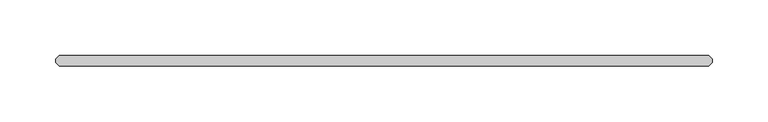
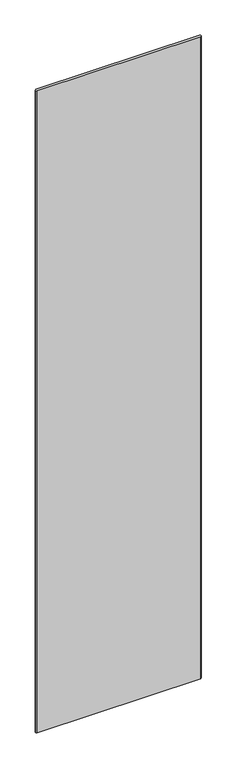
"""IFC4 building model written with IfcOpenShell, lengths in millimetres: plate geometry."""

from ifc_helpers import new_model, si_unit, origin, origin_with_axes, place, context, project, spatial, polyline, outline, extrude, source, transform, mapped, element, save


def plate_cf745dc8(model_context):
    return source(origin(), model_context, "Body", "SweptSolid", [
        extrude(outline(polyline([(292.496875, -34.925), (-292.496875, -34.925), (-295.671875, -31.75), (-295.671875, -28.575), (-292.496875, -25.4), (292.496875, -25.4), (295.671875, -28.575), (295.671875, -31.75), (292.496875, -34.925)])), origin_with_axes(), (0.0, 0.0, 1.0), 2428.7789267),
    ])


if __name__ == "__main__":
    model = new_model("IFC4")
    model_context = context("Model", 3, world=origin())
    ifc_project = project(units=[si_unit("LENGTHUNIT", "METRE", prefix="MILLI")], contexts=[model_context])
    site = spatial("IfcSite", under=ifc_project)
    building = spatial("IfcBuilding", under=site)
    placement = place(None, origin())
    plate_shape = plate_cf745dc8(model_context)
    element("IfcPlate", 1, at=placement, inside=building, context=model_context, shape_type="MappedRepresentation", body=[
        mapped(plate_shape, transform((0.0, 0.0, 0.0), x_axis=(1.0, 0.0, 0.0), y_axis=(0.0, 1.0, 0.0), z_axis=(0.0, 0.0, 1.0))),
    ])
    save(model, "model.ifc")
